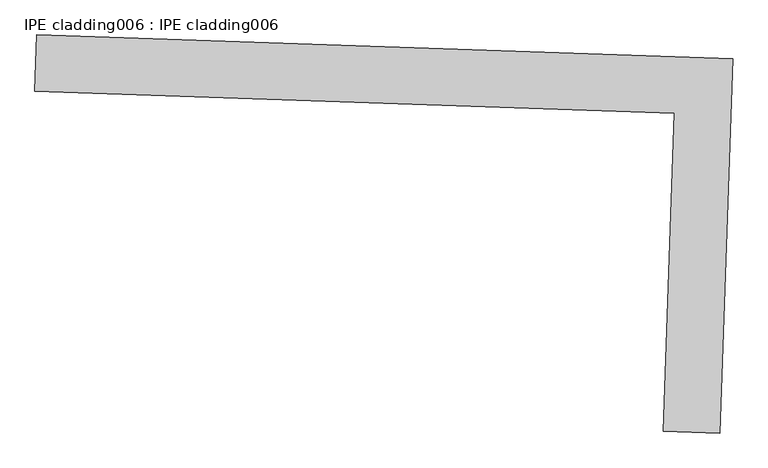
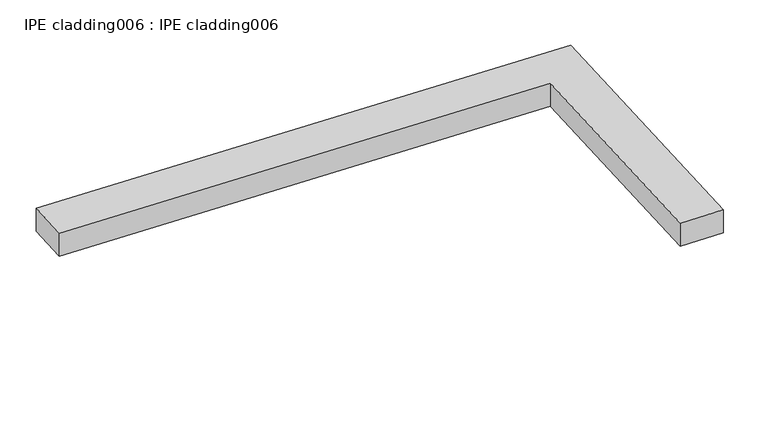
"""IFC4 building model written with IfcOpenShell, lengths in millimetres: proxy geometry, IPE cladding006 : IPE cladding006."""

from ifc_helpers import new_model, si_unit, frame, origin, place, context, project, spatial, polyline, outline, extrude, source, transform, mapped, element, save


def ipe_cladding006_ipe_cladding006_f0735135(model_context):
    return source(origin(), model_context, "Body", "SweptSolid", [
        extrude(outline(polyline([(17306.5036745, -14579.735894), (17309.5442114, -14490.8879051), (18404.971373, -14528.3753777), (18384.8189498, -15117.2524163), (18295.9709607, -15114.2118796), (18313.0828474, -14614.1828297), (17306.5036745, -14579.735894)])), frame((0.0, 0.0, 835.975707), z_axis=(0.0, 0.0, 1.0), x_axis=(1.0, 0.0, 0.0)), (0.0, 0.0, 1.0), 50.8),
    ])


if __name__ == "__main__":
    model = new_model("IFC4")
    model_context = context("Model", 3, world=origin())
    ifc_project = project(units=[si_unit("LENGTHUNIT", "METRE", prefix="MILLI")], contexts=[model_context])
    site = spatial("IfcSite", under=ifc_project)
    building = spatial("IfcBuilding", under=site)
    placement = place(None, origin())
    ipe_cladding006_ipe_cladding006_shape = ipe_cladding006_ipe_cladding006_f0735135(model_context)
    element("IfcBuildingElementProxy", 1, Name="IPE cladding006 : IPE cladding006", ObjectType="IPE cladding006 : IPE cladding006", at=placement, inside=building, context=model_context, shape_type="MappedRepresentation", body=[
        mapped(ipe_cladding006_ipe_cladding006_shape, transform((0.0, 0.0, 0.0), x_axis=(1.0, 0.0, 0.0), y_axis=(0.0, 1.0, 0.0), z_axis=(0.0, 0.0, 1.0))),
    ])
    save(model, "model.ifc")
